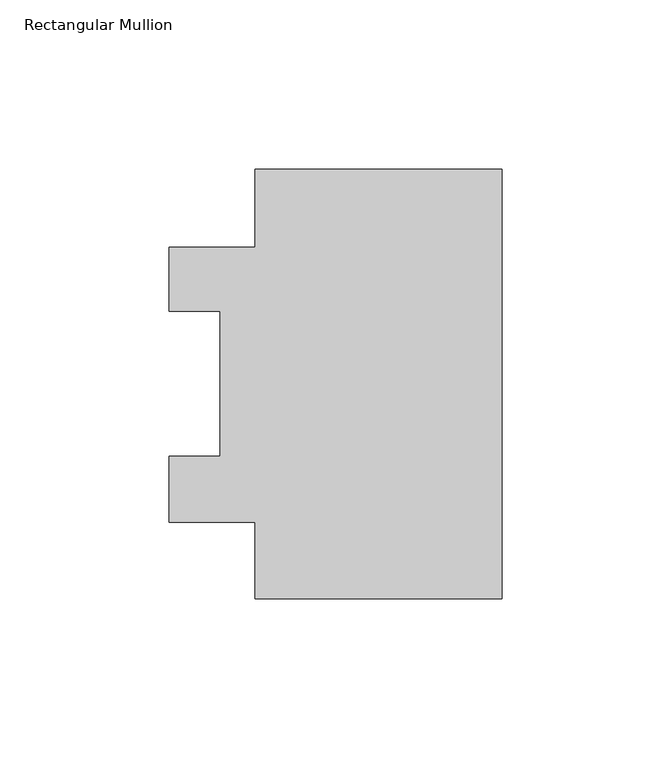
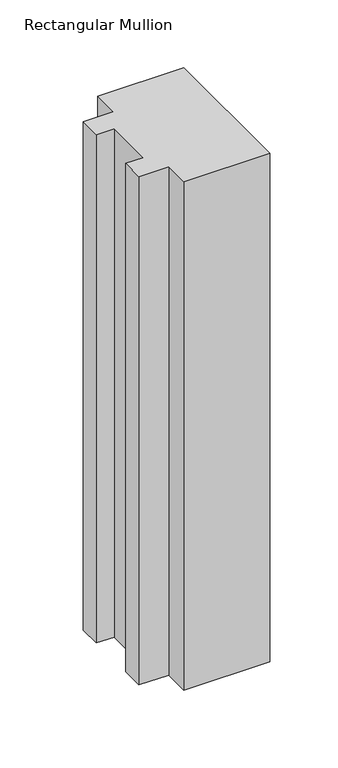
"""IFC4 building model written with IfcOpenShell, lengths in millimetres: member geometry, Rectangular Mullion."""

from ifc_helpers import new_model, si_unit, frame, origin, place, context, project, spatial, polyline, outline, extrude, source, transform, mapped, element, save


def rectangular_mullion_acd6e8cd(model_context):
    return source(origin(), model_context, "Body", "SweptSolid", [
        extrude(outline(polyline([(-73.025, 127.00635), (0.0, 127.00635), (0.0, 0.040532), (-73.025, 0.040532), (-73.025, 22.59965), (-98.4247287, 22.59965), (-98.4247287, 42.08145), (-83.3371287, 42.08145), (-83.3371287, 84.93125), (-98.4247287, 84.93125), (-98.4247287, 103.98125), (-73.025, 103.98125), (-73.025, 127.00635)])), frame((0.0, 0.0, -457.2), z_axis=(0.0, 0.0, 1.0), x_axis=(1.0, 0.0, 0.0)), (0.0, 0.0, 1.0), 457.2),
    ])


if __name__ == "__main__":
    model = new_model("IFC4")
    model_context = context("Model", 3, world=origin())
    ifc_project = project(units=[si_unit("LENGTHUNIT", "METRE", prefix="MILLI")], contexts=[model_context])
    site = spatial("IfcSite", under=ifc_project)
    building = spatial("IfcBuilding", under=site)
    placement = place(None, origin())
    rectangular_mullion_shape = rectangular_mullion_acd6e8cd(model_context)
    element("IfcMember", 1, ObjectType="Rectangular Mullion", at=placement, inside=building, context=model_context, shape_type="MappedRepresentation", body=[
        mapped(rectangular_mullion_shape, transform((0.0, 0.0, 0.0), x_axis=(1.0, 0.0, 0.0), y_axis=(0.0, 1.0, 0.0), z_axis=(0.0, 0.0, 1.0))),
    ])
    save(model, "model.ifc")
